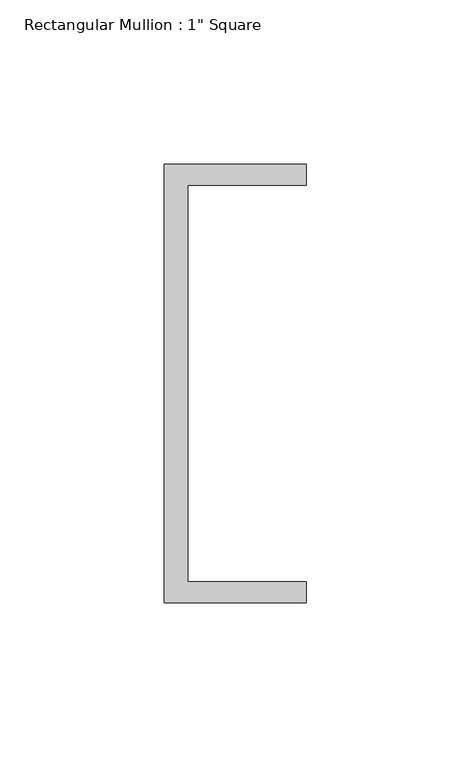
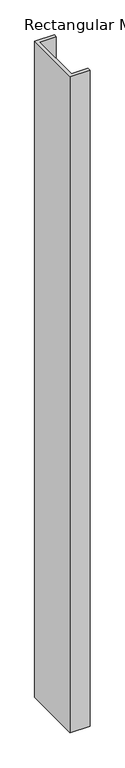
"""IFC4 building model written with IfcOpenShell, lengths in millimetres: member geometry."""

from ifc_helpers import new_model, si_unit, frame, origin, place, context, project, spatial, polyline, outline, extrude, source, transform, mapped, element, save


def member_a8ecc157(model_context):
    return source(origin(), model_context, "Body", "SweptSolid", [
        extrude(outline(polyline([(-18.6549463, 135.2608739), (24.5675083, 135.2608739), (24.5675083, 128.9108739), (-11.6110886, 128.9108739), (-11.6110886, 8.2608739), (24.5675083, 8.2608739), (24.5675083, 1.9108739), (-18.6549463, 1.9108739), (-18.6549463, 135.2608739)])), frame((0.0, 0.0, -1509.3931467), z_axis=(0.0, 0.0, 1.0), x_axis=(1.0, 0.0, 0.0)), (0.0, 0.0, 1.0), 1509.3931467),
    ])


if __name__ == "__main__":
    model = new_model("IFC4")
    model_context = context("Model", 3, world=origin())
    ifc_project = project(units=[si_unit("LENGTHUNIT", "METRE", prefix="MILLI")], contexts=[model_context])
    site = spatial("IfcSite", under=ifc_project)
    building = spatial("IfcBuilding", under=site)
    placement = place(None, origin())
    member_shape = member_a8ecc157(model_context)
    element("IfcMember", 1, ObjectType="Rectangular Mullion : 1\" Square", at=placement, inside=building, context=model_context, shape_type="MappedRepresentation", body=[
        mapped(member_shape, transform((0.0, 0.0, 0.0), x_axis=(1.0, 0.0, 0.0), y_axis=(0.0, 1.0, 0.0), z_axis=(0.0, 0.0, 1.0))),
    ])
    save(model, "model.ifc")
